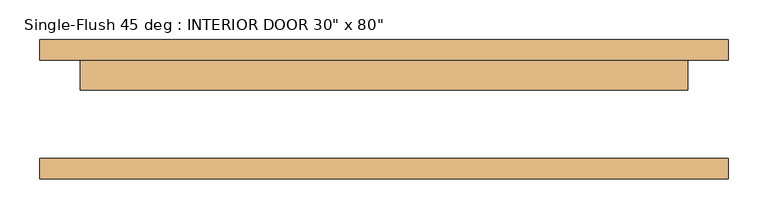
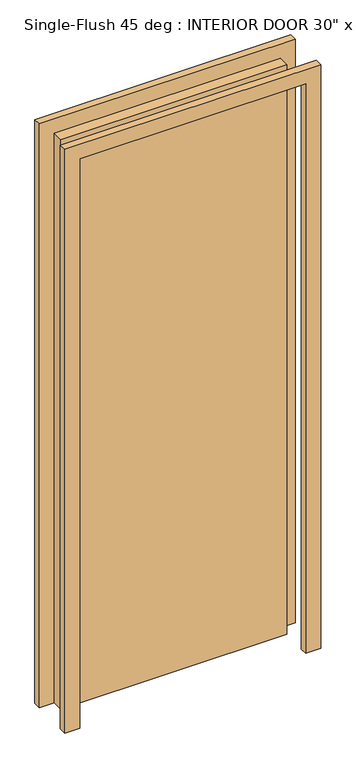
"""IFC4 building model written with IfcOpenShell, lengths in millimetres: door geometry."""

from ifc_helpers import new_model, si_unit, frame, origin, origin_with_axes, place, context, project, spatial, polyline, outline, extrude, source, transform, mapped, element, save


def door_b5ca2345(model_context):
    return source(origin(), model_context, "Body", "SweptSolid", [
        extrude(outline(polyline([(381.0, 23.8125), (-381.0, 23.8125), (-381.0, 61.9125), (381.0, 61.9125), (381.0, 23.8125)])), origin_with_axes(), (0.0, 0.0, 1.0), 2032.0),
        extrude(outline(polyline([(2082.8, -431.8), (0.0, -431.8), (0.0, -381.0), (2032.0, -381.0), (2032.0, 381.0), (0.0, 381.0), (0.0, 431.8), (2082.8, 431.8), (2082.8, -431.8)])), frame((0.0, 61.9125, 0.0), z_axis=(0.0, 1.0, 0.0), x_axis=(0.0, 0.0, 1.0)), (0.0, 0.0, 1.0), 25.4),
        extrude(outline(polyline([(2082.8, 431.8), (2082.8, -431.8), (0.0, -431.8), (0.0, -381.0), (2032.0, -381.0), (2032.0, 381.0), (0.0, 381.0), (0.0, 431.8), (2082.8, 431.8)])), frame((0.0, -87.3125, 0.0), z_axis=(0.0, 1.0, 0.0), x_axis=(0.0, 0.0, 1.0)), (0.0, 0.0, 1.0), 25.4),
    ])


if __name__ == "__main__":
    model = new_model("IFC4")
    model_context = context("Model", 3, world=origin())
    ifc_project = project(units=[si_unit("LENGTHUNIT", "METRE", prefix="MILLI")], contexts=[model_context])
    site = spatial("IfcSite", under=ifc_project)
    building = spatial("IfcBuilding", under=site)
    placement = place(None, origin())
    door_shape = door_b5ca2345(model_context)
    element("IfcDoor", 1, ObjectType="Single-Flush 45 deg : INTERIOR DOOR 30\" x 80\"", at=placement, inside=building, context=model_context, shape_type="MappedRepresentation", body=[
        mapped(door_shape, transform((0.0, 0.0, 0.0), x_axis=(1.0, 0.0, 0.0), y_axis=(0.0, 1.0, 0.0), z_axis=(0.0, 0.0, 1.0))),
    ])
    save(model, "model.ifc")
